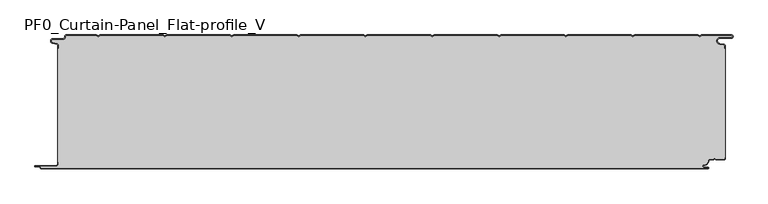
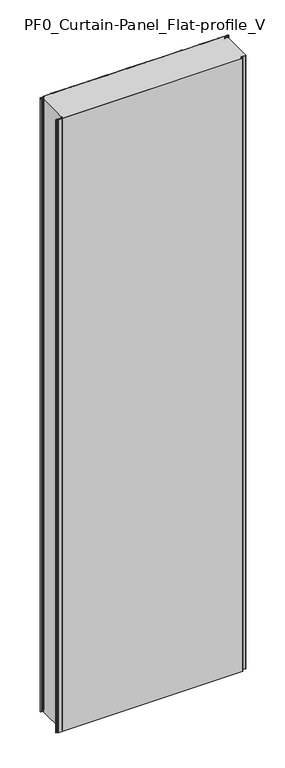
"""IFC4 building model written with IfcOpenShell, lengths in millimetres: plate geometry, PF0_Curtain-Panel_Flat-profile_V."""

from ifc_helpers import new_model, si_unit, point, frame, frame_2d, origin, origin_with_axes, place, context, project, spatial, polyline, circle_curve, trimmed, segment, composite_curve, outline, extrude, source, transform, mapped, element, save
from ifc_brep_helpers import plane_surface, cylinder_surface, revolved_surface, advanced_brep


def pf0_curtain_panel_flat_profile_v_02458f9c(model_context):
    return source(origin(), model_context, "Body", "SolidModel", [
        advanced_brep(
        [(-500.0, -15.878557, 3500.0), (-500.0, -20.0, 3500.0), (-499.2, -20.0, 3500.0), (-499.2, -15.878557, 3500.0), (-501.370137, -13.1503208, 3500.0), (-507.529863, -11.728236, 3500.0), (-506.9, -6.2, 3500.0), (-491.4, -6.2, 3500.0), (-488.6, -3.4, 3500.0), (-488.6, -2.0, 3500.0), (-487.4, -0.8, 3500.0), (-442.3143588, -0.8, 3500.0), (-439.4, -2.482606, 3500.0), (-436.4856412, -0.8, 3500.0), (-342.3143588, -0.8, 3500.0), (-339.4, -2.482606, 3500.0), (-336.4856412, -0.8, 3500.0), (-242.3143588, -0.8, 3500.0), (-239.4, -2.482606, 3500.0), (-236.4856412, -0.8, 3500.0), (-142.3143588, -0.8, 3500.0), (-139.4, -2.482606, 3500.0), (-136.4856412, -0.8, 3500.0), (-42.3143588, -0.8, 3500.0), (-39.4, -2.482606, 3500.0), (-36.4856412, -0.8, 3500.0), (57.6856412, -0.8, 3500.0), (60.6, -2.482606, 3500.0), (63.5143588, -0.8, 3500.0), (157.6856412, -0.8, 3500.0), (160.6, -2.482606, 3500.0), (163.5143588, -0.8, 3500.0), (257.6856412, -0.8, 3500.0), (260.6, -2.482606, 3500.0), (263.5143588, -0.8, 3500.0), (357.6856412, -0.8, 3500.0), (360.6, -2.482606, 3500.0), (363.5143588, -0.8, 3500.0), (457.6856412, -0.8, 3500.0), (460.6, -2.482606, 3500.0), (463.5143588, -0.8, 3500.0), (508.1, -0.8, 3500.0), (508.1, -4.2, 3500.0), (491.1, -4.2, 3500.0), (490.2664884, -13.7270771, 3500.0), (496.7125669, -14.8636953, 3500.0), (498.2, -16.6363492, 3500.0), (498.2, -20.0, 3500.0), (499.0, -20.0, 3500.0), (499.0, -16.6363492, 3500.0), (496.8514855, -14.0758491, 3500.0), (490.405407, -12.939231, 3500.0), (491.1, -5.0, 3500.0), (508.1, -5.0, 3500.0), (510.6, -2.5, 3500.0), (508.1, 0.0, 3500.0), (463.2999995, 0.0, 3500.0), (460.6, -1.5588455, 3500.0), (457.9000005, 0.0, 3500.0), (363.2999995, 0.0, 3500.0), (360.6, -1.5588455, 3500.0), (357.9000005, 0.0, 3500.0), (263.2999995, 0.0, 3500.0), (260.6, -1.5588455, 3500.0), (257.9000005, 0.0, 3500.0), (163.2999995, 0.0, 3500.0), (160.6, -1.5588455, 3500.0), (157.9000005, 0.0, 3500.0), (63.2999995, 0.0, 3500.0), (60.6, -1.5588455, 3500.0), (57.9000005, 0.0, 3500.0), (-36.7000005, 0.0, 3500.0), (-39.4, -1.5588455, 3500.0), (-42.0999995, 0.0, 3500.0), (-136.7000005, 0.0, 3500.0), (-139.4, -1.5588455, 3500.0), (-142.0999995, 0.0, 3500.0), (-236.7000005, 0.0, 3500.0), (-239.4, -1.5588455, 3500.0), (-242.0999995, 0.0, 3500.0), (-336.7000005, 0.0, 3500.0), (-339.4, -1.5588455, 3500.0), (-342.0999995, 0.0, 3500.0), (-436.7000005, 0.0, 3500.0), (-439.4, -1.5588455, 3500.0), (-442.0999995, 0.0, 3500.0), (-487.4, 0.0, 3500.0), (-489.4, -2.0, 3500.0), (-489.4, -3.4, 3500.0), (-491.4, -5.4, 3500.0), (-506.9, -5.4, 3500.0), (-507.7098239, -12.5077322, 3500.0), (-501.5500979, -13.929817, 3500.0), (-500.0, -15.878557, 0.0), (-501.5500978, -13.9298169, 0.0), (-507.7098239, -12.507732, 0.0), (-506.9, -5.4, 0.0), (-491.4, -5.4, 0.0), (-489.4, -3.4, 0.0), (-489.4, -2.0, 0.0), (-487.4, 0.0, 0.0), (-442.0999995, 0.0, 0.0), (-439.4, -1.5588455, 0.0), (-436.7000005, 0.0, 0.0), (-342.0999995, 0.0, 0.0), (-339.4, -1.5588455, 0.0), (-336.7000005, 0.0, 0.0), (-242.0999995, 0.0, 0.0), (-239.4, -1.5588455, 0.0), (-236.7000005, 0.0, 0.0), (-142.0999995, 0.0, 0.0), (-139.4, -1.5588455, 0.0), (-136.7000005, 0.0, 0.0), (-42.0999995, 0.0, 0.0), (-39.4, -1.5588455, 0.0), (-36.7000005, 0.0, 0.0), (57.9000005, 0.0, 0.0), (60.6, -1.5588455, 0.0), (63.2999995, 0.0, 0.0), (157.9000005, 0.0, 0.0), (160.6, -1.5588455, 0.0), (163.2999995, 0.0, 0.0), (257.9000005, 0.0, 0.0), (260.6, -1.5588455, 0.0), (263.2999995, 0.0, 0.0), (357.9000005, 0.0, 0.0), (360.6, -1.5588455, 0.0), (363.2999995, 0.0, 0.0), (457.9000005, 0.0, 0.0), (460.6, -1.5588455, 0.0), (463.2999995, 0.0, 0.0), (508.1, 0.0, 0.0), (510.6, -2.5, 0.0), (508.1, -5.0, 0.0), (491.1, -5.0, 0.0), (490.405407, -12.939231, 0.0), (496.8514855, -14.0758491, 0.0), (499.0, -16.6363492, 0.0), (499.0, -20.0, 0.0), (498.2, -20.0, 0.0), (498.2, -16.6363492, 0.0), (496.7125669, -14.8636953, 0.0), (490.2664884, -13.7270772, 0.0), (491.1, -4.2, 0.0), (508.1, -4.2, 0.0), (508.1, -0.8, 0.0), (463.5143588, -0.8, 0.0), (460.6, -2.482606, 0.0), (457.6856412, -0.8, 0.0), (363.5143588, -0.8, 0.0), (360.6, -2.482606, 0.0), (357.6856412, -0.8, 0.0), (263.5143588, -0.8, 0.0), (260.6, -2.482606, 0.0), (257.6856412, -0.8, 0.0), (163.5143588, -0.8, 0.0), (160.6, -2.482606, 0.0), (157.6856412, -0.8, 0.0), (63.5143588, -0.8, 0.0), (60.6, -2.482606, 0.0), (57.6856412, -0.8, 0.0), (-36.4856412, -0.8, 0.0), (-39.4, -2.482606, 0.0), (-42.3143588, -0.8, 0.0), (-136.4856412, -0.8, 0.0), (-139.4, -2.482606, 0.0), (-142.3143588, -0.8, 0.0), (-236.4856412, -0.8, 0.0), (-239.4, -2.482606, 0.0), (-242.3143588, -0.8, 0.0), (-336.4856412, -0.8, 0.0), (-339.4, -2.482606, 0.0), (-342.3143588, -0.8, 0.0), (-436.4856412, -0.8, 0.0), (-439.4, -2.482606, 0.0), (-442.3143588, -0.8, 0.0), (-487.4, -0.8, 0.0), (-488.6, -2.0, 0.0), (-488.6, -3.4, 0.0), (-491.4, -6.2, 0.0), (-506.9, -6.2, 0.0), (-507.529863, -11.7282362, 0.0), (-501.370137, -13.150321, 0.0), (-499.2, -15.878557, 0.0), (-499.2, -20.0, 0.0), (-500.0, -20.0, 0.0)],
        [
            (0, 1),
            (1, 2),
            (2, 3),
            (3, 4, circle_curve(frame((-502.0, -15.878557, 3500.0), z_axis=(0.0, 0.0, 1.0), x_axis=(1.0, 0.0, 0.0)), 2.8)),
            (4, 5),
            (5, 6, circle_curve(frame((-506.9, -9.0, 3500.0), z_axis=(0.0, 0.0, -1.0), x_axis=(1.0, 0.0, 0.0)), 2.8)),
            (6, 7),
            (7, 8, circle_curve(frame((-491.4, -3.4, 3500.0), z_axis=(0.0, 0.0, 1.0), x_axis=(1.0, 0.0, 0.0)), 2.8)),
            (8, 9),
            (9, 10, circle_curve(frame((-487.4, -2.0, 3500.0), z_axis=(0.0, 0.0, -1.0), x_axis=(1.0, 0.0, 0.0)), 1.2)),
            (10, 11),
            (11, 12),
            (12, 13),
            (13, 14),
            (14, 15),
            (15, 16),
            (16, 17),
            (17, 18),
            (18, 19),
            (19, 20),
            (20, 21),
            (21, 22),
            (22, 23),
            (23, 24),
            (24, 25),
            (25, 26),
            (26, 27),
            (27, 28),
            (28, 29),
            (29, 30),
            (30, 31),
            (31, 32),
            (32, 33),
            (33, 34),
            (34, 35),
            (35, 36),
            (36, 37),
            (37, 38),
            (38, 39),
            (39, 40),
            (40, 41),
            (41, 42, circle_curve(frame((508.1, -2.5, 3500.0), z_axis=(0.0, 0.0, -1.0), x_axis=(1.0, 0.0, 0.0)), 1.7)),
            (42, 43),
            (43, 44, circle_curve(frame((491.1, -9.0, 3500.0), z_axis=(0.0, 0.0, 1.0), x_axis=(1.0, 0.0, 0.0)), 4.8)),
            (44, 45),
            (45, 46, circle_curve(frame((496.4, -16.6363492, 3500.0), z_axis=(0.0, 0.0, -1.0), x_axis=(1.0, 0.0, 0.0)), 1.8)),
            (46, 47),
            (47, 48),
            (48, 49),
            (49, 50, circle_curve(frame((496.4, -16.6363492, 3500.0), z_axis=(0.0, 0.0, 1.0), x_axis=(1.0, 0.0, 0.0)), 2.6)),
            (50, 51),
            (51, 52, circle_curve(frame((491.1, -9.0, 3500.0), z_axis=(0.0, 0.0, -1.0), x_axis=(1.0, 0.0, 0.0)), 4.0)),
            (52, 53),
            (53, 54, circle_curve(frame((508.1, -2.5, 3500.0), z_axis=(0.0, 0.0, 1.0), x_axis=(1.0, 0.0, 0.0)), 2.5)),
            (54, 55, circle_curve(frame((508.1, -2.5, 3500.0), z_axis=(0.0, 0.0, 1.0), x_axis=(1.0, 0.0, 0.0)), 2.5)),
            (55, 56),
            (56, 57),
            (57, 58),
            (58, 59),
            (59, 60),
            (60, 61),
            (61, 62),
            (62, 63),
            (63, 64),
            (64, 65),
            (65, 66),
            (66, 67),
            (67, 68),
            (68, 69),
            (69, 70),
            (70, 71),
            (71, 72),
            (72, 73),
            (73, 74),
            (74, 75),
            (75, 76),
            (76, 77),
            (77, 78),
            (78, 79),
            (79, 80),
            (80, 81),
            (81, 82),
            (82, 83),
            (83, 84),
            (84, 85),
            (85, 86),
            (86, 87, circle_curve(frame((-487.4, -2.0, 3500.0), z_axis=(0.0, 0.0, 1.0), x_axis=(1.0, 0.0, 0.0)), 2.0)),
            (87, 88),
            (88, 89, circle_curve(frame((-491.4, -3.4, 3500.0), z_axis=(0.0, 0.0, -1.0), x_axis=(1.0, 0.0, 0.0)), 2.0)),
            (89, 90),
            (90, 91, circle_curve(frame((-506.9, -9.0, 3500.0), z_axis=(0.0, 0.0, 1.0), x_axis=(1.0, 0.0, 0.0)), 3.6)),
            (91, 92),
            (92, 0, circle_curve(frame((-502.0, -15.878557, 3500.0), z_axis=(0.0, 0.0, -1.0), x_axis=(1.0, 0.0, 0.0)), 2.0)),
            (93, 94, circle_curve(frame((-502.0, -15.878557, 0.0), z_axis=(0.0, 0.0, 1.0), x_axis=(1.0, 0.0, 0.0)), 2.0)),
            (94, 95),
            (95, 96, circle_curve(frame((-506.9, -9.0, 0.0), z_axis=(0.0, 0.0, -1.0), x_axis=(1.0, 0.0, 0.0)), 3.6)),
            (96, 97),
            (97, 98, circle_curve(frame((-491.4, -3.4, 0.0), z_axis=(0.0, 0.0, 1.0), x_axis=(1.0, 0.0, 0.0)), 2.0)),
            (98, 99),
            (99, 100, circle_curve(frame((-487.4, -2.0, 0.0), z_axis=(0.0, 0.0, -1.0), x_axis=(1.0, 0.0, 0.0)), 2.0)),
            (100, 101),
            (101, 102),
            (102, 103),
            (103, 104),
            (104, 105),
            (105, 106),
            (106, 107),
            (107, 108),
            (108, 109),
            (109, 110),
            (110, 111),
            (111, 112),
            (112, 113),
            (113, 114),
            (114, 115),
            (115, 116),
            (116, 117),
            (117, 118),
            (118, 119),
            (119, 120),
            (120, 121),
            (121, 122),
            (122, 123),
            (123, 124),
            (124, 125),
            (125, 126),
            (126, 127),
            (127, 128),
            (128, 129),
            (129, 130),
            (130, 131),
            (131, 132, circle_curve(frame((508.1, -2.5, 0.0), z_axis=(0.0, 0.0, -1.0), x_axis=(1.0, 0.0, 0.0)), 2.5)),
            (132, 133, circle_curve(frame((508.1, -2.5, 0.0), z_axis=(0.0, 0.0, -1.0), x_axis=(1.0, 0.0, 0.0)), 2.5)),
            (133, 134),
            (134, 135, circle_curve(frame((491.1, -9.0, 0.0), z_axis=(0.0, 0.0, 1.0), x_axis=(1.0, 0.0, 0.0)), 4.0)),
            (135, 136),
            (136, 137, circle_curve(frame((496.4, -16.6363492, 0.0), z_axis=(0.0, 0.0, -1.0), x_axis=(1.0, 0.0, 0.0)), 2.6)),
            (137, 138),
            (138, 139),
            (139, 140),
            (140, 141, circle_curve(frame((496.4, -16.6363492, 0.0), z_axis=(0.0, 0.0, 1.0), x_axis=(1.0, 0.0, 0.0)), 1.8)),
            (141, 142),
            (142, 143, circle_curve(frame((491.1, -9.0, 0.0), z_axis=(0.0, 0.0, -1.0), x_axis=(1.0, 0.0, 0.0)), 4.8)),
            (143, 144),
            (144, 145, circle_curve(frame((508.1, -2.5, 0.0), z_axis=(0.0, 0.0, 1.0), x_axis=(1.0, 0.0, 0.0)), 1.7)),
            (145, 146),
            (146, 147),
            (147, 148),
            (148, 149),
            (149, 150),
            (150, 151),
            (151, 152),
            (152, 153),
            (153, 154),
            (154, 155),
            (155, 156),
            (156, 157),
            (157, 158),
            (158, 159),
            (159, 160),
            (160, 161),
            (161, 162),
            (162, 163),
            (163, 164),
            (164, 165),
            (165, 166),
            (166, 167),
            (167, 168),
            (168, 169),
            (169, 170),
            (170, 171),
            (171, 172),
            (172, 173),
            (173, 174),
            (174, 175),
            (175, 176),
            (176, 177, circle_curve(frame((-487.4, -2.0, 0.0), z_axis=(0.0, 0.0, 1.0), x_axis=(1.0, 0.0, 0.0)), 1.2)),
            (177, 178),
            (178, 179, circle_curve(frame((-491.4, -3.4, 0.0), z_axis=(0.0, 0.0, -1.0), x_axis=(1.0, 0.0, 0.0)), 2.8)),
            (179, 180),
            (180, 181, circle_curve(frame((-506.9, -9.0, 0.0), z_axis=(0.0, 0.0, 1.0), x_axis=(1.0, 0.0, 0.0)), 2.8)),
            (181, 182),
            (182, 183, circle_curve(frame((-502.0, -15.878557, 0.0), z_axis=(0.0, 0.0, -1.0), x_axis=(1.0, 0.0, 0.0)), 2.8)),
            (183, 184),
            (184, 185),
            (185, 93),
            (0, 93),
            (185, 1),
            (184, 2),
            (183, 3),
            (182, 4),
            (181, 5),
            (180, 6),
            (179, 7),
            (178, 8),
            (177, 9),
            (176, 10),
            (175, 11),
            (174, 12),
            (173, 13),
            (172, 14),
            (171, 15),
            (170, 16),
            (169, 17),
            (168, 18),
            (167, 19),
            (166, 20),
            (165, 21),
            (164, 22),
            (163, 23),
            (162, 24),
            (161, 25),
            (160, 26),
            (159, 27),
            (158, 28),
            (157, 29),
            (156, 30),
            (155, 31),
            (154, 32),
            (153, 33),
            (152, 34),
            (151, 35),
            (150, 36),
            (149, 37),
            (148, 38),
            (147, 39),
            (146, 40),
            (145, 41),
            (144, 42),
            (143, 43),
            (142, 44),
            (141, 45),
            (140, 46),
            (139, 47),
            (138, 48),
            (137, 49),
            (136, 50),
            (135, 51),
            (134, 52),
            (133, 53),
            (131, 55),
            (56, 130),
            (129, 57),
            (128, 58),
            (127, 59),
            (126, 60),
            (125, 61),
            (124, 62),
            (123, 63),
            (122, 64),
            (121, 65),
            (120, 66),
            (119, 67),
            (118, 68),
            (117, 69),
            (116, 70),
            (115, 71),
            (114, 72),
            (113, 73),
            (112, 74),
            (111, 75),
            (110, 76),
            (109, 77),
            (108, 78),
            (107, 79),
            (106, 80),
            (105, 81),
            (104, 82),
            (103, 83),
            (102, 84),
            (101, 85),
            (100, 86),
            (99, 87),
            (98, 88),
            (97, 89),
            (96, 90),
            (95, 91),
            (94, 92),
        ],
        [
            plane_surface(frame((-500.0, 0.0, 3500.0), z_axis=(0.0, 0.0, 1.0), x_axis=(0.0, 1.0, 0.0))),
            plane_surface(frame((-500.0, 0.0, 0.0), z_axis=(0.0, 0.0, -1.0), x_axis=(0.0, 1.0, 0.0))),
            plane_surface(frame((-500.0, -15.878557, 3500.0), z_axis=(-1.0, 0.0, 0.0), x_axis=(0.0, 0.0, -1.0))),
            plane_surface(frame((-500.0, -20.0, 3500.0), z_axis=(0.0, -1.0, 0.0), x_axis=(0.0, 0.0, -1.0))),
            plane_surface(frame((-499.2, -20.0, 3500.0), z_axis=(1.0, 0.0, 0.0), x_axis=(0.0, 0.0, -1.0))),
            cylinder_surface(frame((-502.0, -15.878557, 3500.0), z_axis=(0.0, 0.0, 1.0), x_axis=(1.0, 0.0, 0.0)), 2.8),
            plane_surface(frame((-501.370137, -13.150321, 3500.0), z_axis=(0.22495108446242484, 0.9743700578318174, 0.0), x_axis=(0.0, 0.0, -1.0))),
            revolved_surface(polyline([(-504.09999999999997, -9.0, 0.0), (-504.09999999999997, -9.0, 3500.0)]), (-506.9, -9.0, 3500.0), (0.0, 0.0, -1.0)),
            plane_surface(frame((-506.9, -6.2, 3500.0), z_axis=(0.0, -1.0, 0.0), x_axis=(0.0, 0.0, -1.0))),
            cylinder_surface(frame((-491.4, -3.4, 3500.0), z_axis=(0.0, 0.0, 1.0), x_axis=(1.0, 0.0, 0.0)), 2.8),
            plane_surface(frame((-488.6, -3.4, 3500.0), z_axis=(1.0, 0.0, 0.0), x_axis=(0.0, 0.0, -1.0))),
            revolved_surface(polyline([(-486.2, -2.0, 0.0), (-486.2, -2.0, 3500.0)]), (-487.4, -2.0, 3500.0), (0.0, 0.0, -1.0)),
            plane_surface(frame((-487.4, -0.8, 3500.0), z_axis=(0.0, -1.0, 0.0), x_axis=(0.0, 0.0, -1.0))),
            plane_surface(frame((-442.3143588, -0.8, 3500.0), z_axis=(-0.5000000299313342, -0.8660253865035741, 0.0), x_axis=(0.0, 0.0, -1.0))),
            plane_surface(frame((-439.4, -2.482606, 3500.0), z_axis=(0.5000000299313233, -0.8660253865035805, 0.0), x_axis=(0.0, 0.0, -1.0))),
            plane_surface(frame((-436.4856412, -0.8, 3500.0), z_axis=(0.0, -1.0, 0.0), x_axis=(0.0, 0.0, -1.0))),
            plane_surface(frame((-342.3143588, -0.8, 3500.0), z_axis=(-0.5000000299313346, -0.8660253865035739, 0.0), x_axis=(0.0, 0.0, -1.0))),
            plane_surface(frame((-339.4, -2.482606, 3500.0), z_axis=(0.5000000299313251, -0.8660253865035794, 0.0), x_axis=(0.0, 0.0, -1.0))),
            plane_surface(frame((-336.4856412, -0.8, 3500.0), z_axis=(0.0, -1.0, 0.0), x_axis=(0.0, 0.0, -1.0))),
            plane_surface(frame((-242.3143588, -0.8, 3500.0), z_axis=(-0.5000000299313346, -0.866025386503574, 0.0), x_axis=(0.0, 0.0, -1.0))),
            plane_surface(frame((-239.4, -2.482606, 3500.0), z_axis=(0.5000000299313251, -0.8660253865035794, 0.0), x_axis=(0.0, 0.0, -1.0))),
            plane_surface(frame((-236.4856412, -0.8, 3500.0), z_axis=(0.0, -1.0, 0.0), x_axis=(0.0, 0.0, -1.0))),
            plane_surface(frame((-142.3143588, -0.8, 3500.0), z_axis=(-0.5000000299313349, -0.8660253865035739, 0.0), x_axis=(0.0, 0.0, -1.0))),
            plane_surface(frame((-139.4, -2.482606, 3500.0), z_axis=(0.5000000299313233, -0.8660253865035805, 0.0), x_axis=(0.0, 0.0, -1.0))),
            plane_surface(frame((-136.4856412, -0.8, 3500.0), z_axis=(0.0, -1.0, 0.0), x_axis=(0.0, 0.0, -1.0))),
            plane_surface(frame((-42.3143588, -0.8, 3500.0), z_axis=(-0.5000000299313346, -0.866025386503574, 0.0), x_axis=(0.0, 0.0, -1.0))),
            plane_surface(frame((-39.4, -2.482606, 3500.0), z_axis=(0.5000000299313239, -0.8660253865035802, 0.0), x_axis=(0.0, 0.0, -1.0))),
            plane_surface(frame((-36.4856412, -0.8, 3500.0), z_axis=(0.0, -1.0, 0.0), x_axis=(0.0, 0.0, -1.0))),
            plane_surface(frame((57.6856412, -0.8, 3500.0), z_axis=(-0.5000000299313347, -0.8660253865035739, 0.0), x_axis=(0.0, 0.0, -1.0))),
            plane_surface(frame((60.6, -2.482606, 3500.0), z_axis=(0.5000000299313232, -0.8660253865035805, 0.0), x_axis=(0.0, 0.0, -1.0))),
            plane_surface(frame((63.5143588, -0.8, 3500.0), z_axis=(0.0, -1.0, 0.0), x_axis=(0.0, 0.0, -1.0))),
            plane_surface(frame((157.6856412, -0.8, 3500.0), z_axis=(-0.5000000299313346, -0.866025386503574, 0.0), x_axis=(0.0, 0.0, -1.0))),
            plane_surface(frame((160.6, -2.482606, 3500.0), z_axis=(0.5000000299313262, -0.8660253865035787, 0.0), x_axis=(0.0, 0.0, -1.0))),
            plane_surface(frame((163.5143588, -0.8, 3500.0), z_axis=(0.0, -1.0, 0.0), x_axis=(0.0, 0.0, -1.0))),
            plane_surface(frame((257.6856412, -0.8, 3500.0), z_axis=(-0.5000000299313346, -0.8660253865035739, 0.0), x_axis=(0.0, 0.0, -1.0))),
            plane_surface(frame((260.6, -2.482606, 3500.0), z_axis=(0.5000000299313263, -0.8660253865035787, 0.0), x_axis=(0.0, 0.0, -1.0))),
            plane_surface(frame((263.5143588, -0.8, 3500.0), z_axis=(0.0, -1.0, 0.0), x_axis=(0.0, 0.0, -1.0))),
            plane_surface(frame((357.6856412, -0.8, 3500.0), z_axis=(-0.5000000299313346, -0.8660253865035739, 0.0), x_axis=(0.0, 0.0, -1.0))),
            plane_surface(frame((360.6, -2.482606, 3500.0), z_axis=(0.5000000299313255, -0.8660253865035792, 0.0), x_axis=(0.0, 0.0, -1.0))),
            plane_surface(frame((363.5143588, -0.8, 3500.0), z_axis=(0.0, -1.0, 0.0), x_axis=(0.0, 0.0, -1.0))),
            plane_surface(frame((457.6856412, -0.8, 3500.0), z_axis=(-0.5000000299313347, -0.8660253865035739, 0.0), x_axis=(0.0, 0.0, -1.0))),
            plane_surface(frame((460.6, -2.482606, 3500.0), z_axis=(0.5000000299313263, -0.8660253865035787, 0.0), x_axis=(0.0, 0.0, -1.0))),
            plane_surface(frame((463.5143588, -0.8, 3500.0), z_axis=(0.0, -1.0, 0.0), x_axis=(0.0, 0.0, -1.0))),
            revolved_surface(polyline([(509.8, -2.5, 0.0), (509.8, -2.5, 3500.0)]), (508.1, -2.5, 3500.0), (0.0, 0.0, -1.0)),
            plane_surface(frame((508.1, -4.2, 3500.0), z_axis=(0.0, 1.0, 0.0), x_axis=(0.0, 0.0, -1.0))),
            cylinder_surface(frame((491.1, -9.0, 3500.0), z_axis=(0.0, 0.0, 1.0), x_axis=(1.0, 0.0, 0.0)), 4.8),
            plane_surface(frame((490.2664884, -13.7270772, 3500.0), z_axis=(-0.17364825602592485, -0.9848077391954, 0.0), x_axis=(0.0, 0.0, -1.0))),
            revolved_surface(polyline([(498.2, -16.6363492, 0.0), (498.2, -16.6363492, 3500.0)]), (496.4, -16.6363492, 3500.0), (0.0, 0.0, -1.0)),
            plane_surface(frame((498.2, -16.6363492, 3500.0), z_axis=(-1.0, 0.0, 0.0), x_axis=(0.0, 0.0, -1.0))),
            plane_surface(frame((498.2, -20.0, 3500.0), z_axis=(0.0, -1.0, 0.0), x_axis=(0.0, 0.0, -1.0))),
            plane_surface(frame((499.0, -20.0, 3500.0), z_axis=(1.0, 0.0, 0.0), x_axis=(0.0, 0.0, -1.0))),
            cylinder_surface(frame((496.4, -16.6363492, 3500.0), z_axis=(0.0, 0.0, 1.0), x_axis=(1.0, 0.0, 0.0)), 2.6),
            plane_surface(frame((496.8514855, -14.0758491, 3500.0), z_axis=(0.1736482560259256, 0.9848077391953998, 0.0), x_axis=(0.0, 0.0, -1.0))),
            revolved_surface(polyline([(495.1, -9.0, 0.0), (495.1, -9.0, 3500.0)]), (491.1, -9.0, 3500.0), (0.0, 0.0, -1.0)),
            plane_surface(frame((491.1, -5.0, 3500.0), z_axis=(0.0, -1.0, 0.0), x_axis=(0.0, 0.0, -1.0))),
            cylinder_surface(frame((508.1, -2.5, 3500.0), z_axis=(0.0, 0.0, 1.0), x_axis=(1.0, 0.0, 0.0)), 2.5),
            plane_surface(frame((463.2999995, 0.0, 3500.0), z_axis=(-0.5000000299313235, 0.8660253865035803, 0.0), x_axis=(0.0, 0.0, -1.0))),
            plane_surface(frame((460.6, -1.5588455, 3500.0), z_axis=(0.5000000299313346, 0.8660253865035739, 0.0), x_axis=(0.0, 0.0, -1.0))),
            plane_surface(frame((457.9000005, 0.0, 3500.0), z_axis=(0.0, 1.0, 0.0), x_axis=(0.0, 0.0, -1.0))),
            plane_surface(frame((363.2999995, 0.0, 3500.0), z_axis=(-0.5000000299313235, 0.8660253865035803, 0.0), x_axis=(0.0, 0.0, -1.0))),
            plane_surface(frame((360.6, -1.5588455, 3500.0), z_axis=(0.5000000299313346, 0.8660253865035739, 0.0), x_axis=(0.0, 0.0, -1.0))),
            plane_surface(frame((357.9000005, 0.0, 3500.0), z_axis=(0.0, 1.0, 0.0), x_axis=(0.0, 0.0, -1.0))),
            plane_surface(frame((263.2999995, 0.0, 3500.0), z_axis=(-0.5000000299313235, 0.8660253865035803, 0.0), x_axis=(0.0, 0.0, -1.0))),
            plane_surface(frame((260.6, -1.5588455, 3500.0), z_axis=(0.5000000299313346, 0.8660253865035739, 0.0), x_axis=(0.0, 0.0, -1.0))),
            plane_surface(frame((257.9000005, 0.0, 3500.0), z_axis=(0.0, 1.0, 0.0), x_axis=(0.0, 0.0, -1.0))),
            plane_surface(frame((163.2999995, 0.0, 3500.0), z_axis=(-0.5000000299313235, 0.8660253865035803, 0.0), x_axis=(0.0, 0.0, -1.0))),
            plane_surface(frame((160.6, -1.5588455, 3500.0), z_axis=(0.5000000299313346, 0.8660253865035739, 0.0), x_axis=(0.0, 0.0, -1.0))),
            plane_surface(frame((157.9000005, 0.0, 3500.0), z_axis=(0.0, 1.0, 0.0), x_axis=(0.0, 0.0, -1.0))),
            plane_surface(frame((63.2999995, 0.0, 3500.0), z_axis=(-0.5000000299313235, 0.8660253865035803, 0.0), x_axis=(0.0, 0.0, -1.0))),
            plane_surface(frame((60.6, -1.5588455, 3500.0), z_axis=(0.5000000299313346, 0.8660253865035739, 0.0), x_axis=(0.0, 0.0, -1.0))),
            plane_surface(frame((57.9000005, 0.0, 3500.0), z_axis=(0.0, 1.0, 0.0), x_axis=(0.0, 0.0, -1.0))),
            plane_surface(frame((-36.7000005, 0.0, 3500.0), z_axis=(-0.5000000299313235, 0.8660253865035803, 0.0), x_axis=(0.0, 0.0, -1.0))),
            plane_surface(frame((-39.4, -1.5588455, 3500.0), z_axis=(0.5000000299313346, 0.8660253865035739, 0.0), x_axis=(0.0, 0.0, -1.0))),
            plane_surface(frame((-42.0999995, 0.0, 3500.0), z_axis=(0.0, 1.0, 0.0), x_axis=(0.0, 0.0, -1.0))),
            plane_surface(frame((-136.7000005, 0.0, 3500.0), z_axis=(-0.5000000299313235, 0.8660253865035803, 0.0), x_axis=(0.0, 0.0, -1.0))),
            plane_surface(frame((-139.4, -1.5588455, 3500.0), z_axis=(0.5000000299313346, 0.8660253865035739, 0.0), x_axis=(0.0, 0.0, -1.0))),
            plane_surface(frame((-142.0999995, 0.0, 3500.0), z_axis=(0.0, 1.0, 0.0), x_axis=(0.0, 0.0, -1.0))),
            plane_surface(frame((-236.7000005, 0.0, 3500.0), z_axis=(-0.5000000299313235, 0.8660253865035803, 0.0), x_axis=(0.0, 0.0, -1.0))),
            plane_surface(frame((-239.4, -1.5588455, 3500.0), z_axis=(0.5000000299313346, 0.8660253865035739, 0.0), x_axis=(0.0, 0.0, -1.0))),
            plane_surface(frame((-242.0999995, 0.0, 3500.0), z_axis=(0.0, 1.0, 0.0), x_axis=(0.0, 0.0, -1.0))),
            plane_surface(frame((-336.7000005, 0.0, 3500.0), z_axis=(-0.5000000299313235, 0.8660253865035803, 0.0), x_axis=(0.0, 0.0, -1.0))),
            plane_surface(frame((-339.4, -1.5588455, 3500.0), z_axis=(0.5000000299313346, 0.8660253865035739, 0.0), x_axis=(0.0, 0.0, -1.0))),
            plane_surface(frame((-342.0999995, 0.0, 3500.0), z_axis=(0.0, 1.0, 0.0), x_axis=(0.0, 0.0, -1.0))),
            plane_surface(frame((-436.7000005, 0.0, 3500.0), z_axis=(-0.5000000299313235, 0.8660253865035803, 0.0), x_axis=(0.0, 0.0, -1.0))),
            plane_surface(frame((-439.4, -1.5588455, 3500.0), z_axis=(0.5000000299313346, 0.8660253865035739, 0.0), x_axis=(0.0, 0.0, -1.0))),
            plane_surface(frame((-442.0999995, 0.0, 3500.0), z_axis=(0.0, 1.0, 0.0), x_axis=(0.0, 0.0, -1.0))),
            cylinder_surface(frame((-487.4, -2.0, 3500.0), z_axis=(0.0, 0.0, 1.0), x_axis=(1.0, 0.0, 0.0)), 2.0),
            plane_surface(frame((-489.4, -2.0, 3500.0), z_axis=(-1.0, 0.0, 0.0), x_axis=(0.0, 0.0, -1.0))),
            revolved_surface(polyline([(-489.4, -3.4, 0.0), (-489.4, -3.4, 3500.0)]), (-491.4, -3.4, 3500.0), (0.0, 0.0, -1.0)),
            plane_surface(frame((-491.4, -5.4, 3500.0), z_axis=(0.0, 1.0, 0.0), x_axis=(0.0, 0.0, -1.0))),
            cylinder_surface(frame((-506.9, -9.0, 3500.0), z_axis=(0.0, 0.0, 1.0), x_axis=(1.0, 0.0, 0.0)), 3.6),
            plane_surface(frame((-507.7098239, -12.507732, 3500.0), z_axis=(-0.22495108446242487, -0.9743700578318174, 0.0), x_axis=(0.0, 0.0, -1.0))),
            revolved_surface(polyline([(-500.0, -15.878557, 0.0), (-500.0, -15.878557, 3500.0)]), (-502.0, -15.878557, 3500.0), (0.0, 0.0, -1.0)),
            plane_surface(frame((508.1, 0.0, 3500.0), z_axis=(0.0, 1.0, 0.0), x_axis=(0.0, 0.0, -1.0))),
        ],
        [
            (0, [[1, 2, 3, 4, 5, 6, 7, 8, 9, 10, 11, 12, 13, 14, 15, 16, 17, 18, 19, 20, 21, 22, 23, 24, 25, 26, 27, 28, 29, 30, 31, 32, 33, 34, 35, 36, 37, 38, 39, 40, 41, 42, 43, 44, 45, 46, 47, 48, 49, 50, 51, 52, 53, 54, 55, 56, 57, 58, 59, 60, 61, 62, 63, 64, 65, 66, 67, 68, 69, 70, 71, 72, 73, 74, 75, 76, 77, 78, 79, 80, 81, 82, 83, 84, 85, 86, 87, 88, 89, 90, 91, 92, 93]]),
            (1, [[94, 95, 96, 97, 98, 99, 100, 101, 102, 103, 104, 105, 106, 107, 108, 109, 110, 111, 112, 113, 114, 115, 116, 117, 118, 119, 120, 121, 122, 123, 124, 125, 126, 127, 128, 129, 130, 131, 132, 133, 134, 135, 136, 137, 138, 139, 140, 141, 142, 143, 144, 145, 146, 147, 148, 149, 150, 151, 152, 153, 154, 155, 156, 157, 158, 159, 160, 161, 162, 163, 164, 165, 166, 167, 168, 169, 170, 171, 172, 173, 174, 175, 176, 177, 178, 179, 180, 181, 182, 183, 184, 185, 186]]),
            (2, [[-1, 187, -186, 188]]),
            (3, [[-2, -188, -185, 189]]),
            (4, [[-3, -189, -184, 190]]),
            (5, [[-4, -190, -183, 191]]),
            (6, [[-5, -191, -182, 192]]),
            (7, [[-6, -192, -181, 193]]),
            (8, [[-7, -193, -180, 194]]),
            (9, [[-8, -194, -179, 195]]),
            (10, [[-9, -195, -178, 196]]),
            (11, [[-10, -196, -177, 197]]),
            (12, [[-11, -197, -176, 198]]),
            (13, [[-12, -198, -175, 199]]),
            (14, [[-13, -199, -174, 200]]),
            (15, [[-14, -200, -173, 201]]),
            (16, [[-15, -201, -172, 202]]),
            (17, [[-16, -202, -171, 203]]),
            (18, [[-17, -203, -170, 204]]),
            (19, [[-18, -204, -169, 205]]),
            (20, [[-19, -205, -168, 206]]),
            (21, [[-20, -206, -167, 207]]),
            (22, [[-21, -207, -166, 208]]),
            (23, [[-22, -208, -165, 209]]),
            (24, [[-23, -209, -164, 210]]),
            (25, [[-24, -210, -163, 211]]),
            (26, [[-25, -211, -162, 212]]),
            (27, [[-26, -212, -161, 213]]),
            (28, [[-27, -213, -160, 214]]),
            (29, [[-28, -214, -159, 215]]),
            (30, [[-29, -215, -158, 216]]),
            (31, [[-30, -216, -157, 217]]),
            (32, [[-31, -217, -156, 218]]),
            (33, [[-32, -218, -155, 219]]),
            (34, [[-33, -219, -154, 220]]),
            (35, [[-34, -220, -153, 221]]),
            (36, [[-35, -221, -152, 222]]),
            (37, [[-36, -222, -151, 223]]),
            (38, [[-37, -223, -150, 224]]),
            (39, [[-38, -224, -149, 225]]),
            (40, [[-39, -225, -148, 226]]),
            (41, [[-40, -226, -147, 227]]),
            (42, [[-41, -227, -146, 228]]),
            (43, [[-42, -228, -145, 229]]),
            (44, [[-43, -229, -144, 230]]),
            (45, [[-44, -230, -143, 231]]),
            (46, [[-45, -231, -142, 232]]),
            (47, [[-46, -232, -141, 233]]),
            (48, [[-47, -233, -140, 234]]),
            (49, [[-48, -234, -139, 235]]),
            (50, [[-49, -235, -138, 236]]),
            (51, [[-50, -236, -137, 237]]),
            (52, [[-51, -237, -136, 238]]),
            (53, [[-52, -238, -135, 239]]),
            (54, [[-53, -239, -134, 240]]),
            (55, [[-240, -133, -132, 241, -55, -54]]),
            (56, [[-57, 242, -130, 243]]),
            (57, [[-58, -243, -129, 244]]),
            (58, [[-59, -244, -128, 245]]),
            (59, [[-60, -245, -127, 246]]),
            (60, [[-61, -246, -126, 247]]),
            (61, [[-62, -247, -125, 248]]),
            (62, [[-63, -248, -124, 249]]),
            (63, [[-64, -249, -123, 250]]),
            (64, [[-65, -250, -122, 251]]),
            (65, [[-66, -251, -121, 252]]),
            (66, [[-67, -252, -120, 253]]),
            (67, [[-68, -253, -119, 254]]),
            (68, [[-69, -254, -118, 255]]),
            (69, [[-70, -255, -117, 256]]),
            (70, [[-71, -256, -116, 257]]),
            (71, [[-72, -257, -115, 258]]),
            (72, [[-73, -258, -114, 259]]),
            (73, [[-74, -259, -113, 260]]),
            (74, [[-75, -260, -112, 261]]),
            (75, [[-76, -261, -111, 262]]),
            (76, [[-77, -262, -110, 263]]),
            (77, [[-78, -263, -109, 264]]),
            (78, [[-79, -264, -108, 265]]),
            (79, [[-80, -265, -107, 266]]),
            (80, [[-81, -266, -106, 267]]),
            (81, [[-82, -267, -105, 268]]),
            (82, [[-83, -268, -104, 269]]),
            (83, [[-84, -269, -103, 270]]),
            (84, [[-85, -270, -102, 271]]),
            (85, [[-86, -271, -101, 272]]),
            (86, [[-87, -272, -100, 273]]),
            (87, [[-88, -273, -99, 274]]),
            (88, [[-89, -274, -98, 275]]),
            (89, [[-90, -275, -97, 276]]),
            (90, [[-91, -276, -96, 277]]),
            (91, [[-92, -277, -95, 278]]),
            (92, [[-93, -278, -94, -187]]),
            (93, [[-56, -241, -131, -242]]),
        ],
    ),
        extrude(outline(composite_curve([segment(polyline([(-499.2, -190.0), (-500.0, -190.0), (-500.0, -20.0), (-499.2, -20.0), (-499.2, -15.878557)]), True, "CONTINUOUS"), segment(trimmed(circle_curve(frame_2d((-502.0, -15.878557)), 2.8), [point((-499.2, -15.878557))], [point((-501.370137, -13.1503208))], True, "CARTESIAN"), True, "CONTINUOUS"), segment(polyline([(-501.370137, -13.1503208), (-507.529863, -11.7282362)]), True, "CONTINUOUS"), segment(trimmed(circle_curve(frame_2d((-506.9, -9.0)), 2.8), [point((-507.529863, -11.7282362))], [point((-506.9, -6.2))], False, "CARTESIAN"), True, "CONTINUOUS"), segment(polyline([(-506.9, -6.2), (-491.4, -6.2)]), True, "CONTINUOUS"), segment(trimmed(circle_curve(frame_2d((-491.4, -3.4)), 2.8), [point((-491.4, -6.2))], [point((-488.6, -3.4))], True, "CARTESIAN"), True, "CONTINUOUS"), segment(polyline([(-488.6, -3.4), (-488.6, -2.0)]), True, "CONTINUOUS"), segment(trimmed(circle_curve(frame_2d((-487.4, -2.0)), 1.2), [point((-488.6, -2.0))], [point((-487.4, -0.8))], False, "CARTESIAN"), True, "CONTINUOUS"), segment(polyline([(-487.4, -0.8), (-442.3143588, -0.8), (-439.4, -2.482606), (-436.4856412, -0.8), (-342.3143588, -0.8), (-339.4, -2.482606), (-336.4856412, -0.8), (-242.3143588, -0.8), (-239.4, -2.482606), (-236.4856412, -0.8), (-142.3143588, -0.8), (-139.4, -2.482606), (-136.4856412, -0.8), (-42.3143588, -0.8), (-39.4, -2.482606), (-36.4856412, -0.8), (57.6856412, -0.8), (60.6, -2.482606), (63.5143588, -0.8), (157.6856412, -0.8), (160.6, -2.482606), (163.5143588, -0.8), (257.6856412, -0.8), (260.6, -2.482606), (263.5143588, -0.8), (357.6856412, -0.8), (360.6, -2.482606), (363.5143588, -0.8), (457.6856412, -0.8), (460.6, -2.482606), (463.5143588, -0.8), (508.1, -0.8)]), True, "CONTINUOUS"), segment(trimmed(circle_curve(frame_2d((508.1, -2.5)), 1.7), [point((508.1, -0.8))], [point((508.1, -4.2))], False, "CARTESIAN"), True, "CONTINUOUS"), segment(polyline([(508.1, -4.2), (491.1, -4.2)]), True, "CONTINUOUS"), segment(trimmed(circle_curve(frame_2d((491.1, -9.0)), 4.8), [point((491.1, -4.2))], [point((490.2664884, -13.7270772))], True, "CARTESIAN"), True, "CONTINUOUS"), segment(polyline([(490.2664884, -13.7270772), (496.7125669, -14.8636953)]), True, "CONTINUOUS"), segment(trimmed(circle_curve(frame_2d((496.4, -16.6363492)), 1.8), [point((496.7125669, -14.8636953))], [point((498.2, -16.6363492))], False, "CARTESIAN"), True, "CONTINUOUS"), segment(polyline([(498.2, -16.6363492), (498.2, -20.0), (499.0, -20.0), (499.0, -183.0), (498.2, -183.0), (498.2, -184.4)]), True, "CONTINUOUS"), segment(trimmed(circle_curve(frame_2d((496.4, -184.4)), 1.8), [point((498.2, -184.4))], [point((496.4, -186.2))], False, "CARTESIAN"), True, "CONTINUOUS"), segment(polyline([(496.4, -186.2), (484.8313698, -186.2), (483.0, -184.3686285), (481.1686302, -186.2), (475.0, -186.2)]), True, "CONTINUOUS"), segment(trimmed(circle_curve(frame_2d((475.0, -188.0)), 1.8), [point((475.0, -186.2))], [point((473.2, -188.0))], True, "CARTESIAN"), True, "CONTINUOUS"), segment(polyline([(473.2, -188.0), (473.2, -188.8276204)]), True, "CONTINUOUS"), segment(trimmed(circle_curve(frame_2d((467.8276204, -188.8276204)), 5.3723796), [point((473.2, -188.8276204))], [point((467.8276204, -194.2))], False, "CARTESIAN"), True, "CONTINUOUS"), segment(polyline([(467.8276204, -194.2), (467.0, -194.2)]), True, "CONTINUOUS"), segment(trimmed(circle_curve(frame_2d((467.0, -196.4)), 2.2), [point((467.0, -194.2))], [point((467.0, -198.6))], True, "CARTESIAN"), True, "CONTINUOUS"), segment(polyline([(467.0, -198.6), (472.8891513, -198.6)]), True, "CONTINUOUS"), segment(trimmed(circle_curve(frame_2d((472.8891513, -198.9)), 0.3), [point((472.8891513, -198.6))], [point((472.8891513, -199.2))], False, "CARTESIAN"), True, "CONTINUOUS"), segment(polyline([(472.8891513, -199.2), (-524.4, -199.2)]), True, "CONTINUOUS"), segment(trimmed(circle_curve(frame_2d((-524.4, -198.4)), 0.8), [point((-524.4, -199.2))], [point((-525.2, -198.4))], False, "CARTESIAN"), True, "CONTINUOUS"), segment(trimmed(circle_curve(frame_2d((-526.9, -198.6133333)), 1.7133333), [point((-525.2, -198.4))], [point((-526.9, -196.9))], True, "CARTESIAN"), True, "CONTINUOUS"), segment(polyline([(-526.9, -196.9), (-532.8700312, -196.9)]), True, "CONTINUOUS"), segment(trimmed(circle_curve(frame_2d((-532.8700312, -196.6)), 0.3), [point((-532.8700312, -196.9))], [point((-532.8700312, -196.3))], False, "CARTESIAN"), True, "CONTINUOUS"), segment(polyline([(-532.8700312, -196.3), (-502.0, -196.3)]), True, "CONTINUOUS"), segment(trimmed(circle_curve(frame_2d((-502.0, -193.5)), 2.8), [point((-502.0, -196.3))], [point((-499.2, -193.5))], True, "CARTESIAN"), True, "CONTINUOUS"), segment(polyline([(-499.2, -193.5), (-499.2, -190.0)]), True, "CONTINUOUS")], self_intersect=False)), origin_with_axes(), (0.0, 0.0, 1.0), 3500.0),
        extrude(outline(composite_curve([segment(polyline([(-500.0, -190.0), (-499.2, -190.0), (-499.2, -193.5)]), True, "CONTINUOUS"), segment(trimmed(circle_curve(frame_2d((-502.0, -193.5)), 2.8), [point((-499.2, -193.5))], [point((-502.0, -196.3))], False, "CARTESIAN"), True, "CONTINUOUS"), segment(polyline([(-502.0, -196.3), (-532.8700312, -196.3)]), True, "CONTINUOUS"), segment(trimmed(circle_curve(frame_2d((-532.8700312, -196.6)), 0.3), [point((-532.8700312, -196.3))], [point((-532.8700312, -196.9))], True, "CARTESIAN"), True, "CONTINUOUS"), segment(polyline([(-532.8700312, -196.9), (-526.9, -196.9)]), True, "CONTINUOUS"), segment(trimmed(circle_curve(frame_2d((-526.9, -198.6133333)), 1.7133333), [point((-526.9, -196.9))], [point((-525.2, -198.4))], False, "CARTESIAN"), True, "CONTINUOUS"), segment(trimmed(circle_curve(frame_2d((-524.4, -198.4)), 0.8), [point((-525.2, -198.4))], [point((-524.4, -199.2))], True, "CARTESIAN"), True, "CONTINUOUS"), segment(polyline([(-524.4, -199.2), (472.8891513, -199.2)]), True, "CONTINUOUS"), segment(trimmed(circle_curve(frame_2d((472.8891513, -198.9)), 0.3), [point((472.8891513, -199.2))], [point((472.8891513, -198.6))], True, "CARTESIAN"), True, "CONTINUOUS"), segment(polyline([(472.8891513, -198.6), (467.0, -198.6)]), True, "CONTINUOUS"), segment(trimmed(circle_curve(frame_2d((467.0, -196.4)), 2.2), [point((467.0, -198.6))], [point((467.0, -194.2))], False, "CARTESIAN"), True, "CONTINUOUS"), segment(polyline([(467.0, -194.2), (467.8276204, -194.2)]), True, "CONTINUOUS"), segment(trimmed(circle_curve(frame_2d((467.8276204, -188.8276204)), 5.3723796), [point((467.8276204, -194.2))], [point((473.2, -188.8276204))], True, "CARTESIAN"), True, "CONTINUOUS"), segment(polyline([(473.2, -188.8276204), (473.2, -188.0)]), True, "CONTINUOUS"), segment(trimmed(circle_curve(frame_2d((475.0, -188.0)), 1.8), [point((473.2, -188.0))], [point((475.0, -186.2))], False, "CARTESIAN"), True, "CONTINUOUS"), segment(polyline([(475.0, -186.2), (481.1686302, -186.2), (483.0, -184.3686285), (484.8313698, -186.2), (496.4, -186.2)]), True, "CONTINUOUS"), segment(trimmed(circle_curve(frame_2d((496.4, -184.4)), 1.8), [point((496.4, -186.2))], [point((498.2, -184.4))], True, "CARTESIAN"), True, "CONTINUOUS"), segment(polyline([(498.2, -184.4), (498.2, -183.0), (499.0, -183.0), (499.0, -184.4)]), True, "CONTINUOUS"), segment(trimmed(circle_curve(frame_2d((496.4, -184.4)), 2.6), [point((499.0, -184.4))], [point((496.4, -187.0))], False, "CARTESIAN"), True, "CONTINUOUS"), segment(polyline([(496.4, -187.0), (484.4999988, -187.0), (483.0, -185.4999999), (481.5000012, -187.0), (475.0, -187.0)]), True, "CONTINUOUS"), segment(trimmed(circle_curve(frame_2d((475.0, -188.0)), 1.0), [point((475.0, -187.0))], [point((474.0, -188.0))], True, "CARTESIAN"), True, "CONTINUOUS"), segment(polyline([(474.0, -188.0), (474.0, -188.8276204)]), True, "CONTINUOUS"), segment(trimmed(circle_curve(frame_2d((467.8276204, -188.8276204)), 6.1723796), [point((474.0, -188.8276204))], [point((467.8276204, -195.0))], False, "CARTESIAN"), True, "CONTINUOUS"), segment(polyline([(467.8276204, -195.0), (467.0, -195.0)]), True, "CONTINUOUS"), segment(trimmed(circle_curve(frame_2d((467.0, -196.5)), 1.5), [point((467.0, -195.0))], [point((467.0, -198.0))], True, "CARTESIAN"), True, "CONTINUOUS"), segment(polyline([(467.0, -198.0), (473.0, -198.0)]), True, "CONTINUOUS"), segment(trimmed(circle_curve(frame_2d((473.0, -199.0)), 1.0), [point((473.0, -198.0))], [point((473.0, -200.0))], False, "CARTESIAN"), True, "CONTINUOUS"), segment(polyline([(473.0, -200.0), (-524.4, -200.0)]), True, "CONTINUOUS"), segment(trimmed(circle_curve(frame_2d((-524.4, -198.4)), 1.6), [point((-524.4, -200.0))], [point((-526.0, -198.4))], False, "CARTESIAN"), True, "CONTINUOUS"), segment(trimmed(circle_curve(frame_2d((-526.9, -198.4)), 0.9), [point((-526.0, -198.4))], [point((-526.9, -197.5))], True, "CARTESIAN"), True, "CONTINUOUS"), segment(polyline([(-526.9, -197.5), (-533.0, -197.5)]), True, "CONTINUOUS"), segment(trimmed(circle_curve(frame_2d((-533.0, -196.5)), 1.0), [point((-533.0, -197.5))], [point((-533.0, -195.5))], False, "CARTESIAN"), True, "CONTINUOUS"), segment(polyline([(-533.0, -195.5), (-502.0, -195.5)]), True, "CONTINUOUS"), segment(trimmed(circle_curve(frame_2d((-502.0, -193.5)), 2.0), [point((-502.0, -195.5))], [point((-500.0, -193.5))], True, "CARTESIAN"), True, "CONTINUOUS"), segment(polyline([(-500.0, -193.5), (-500.0, -190.0)]), True, "CONTINUOUS")], self_intersect=False)), origin_with_axes(), (0.0, 0.0, 1.0), 3500.0),
    ])


if __name__ == "__main__":
    model = new_model("IFC4")
    model_context = context("Model", 3, world=origin())
    ifc_project = project(units=[si_unit("LENGTHUNIT", "METRE", prefix="MILLI")], contexts=[model_context])
    site = spatial("IfcSite", under=ifc_project)
    building = spatial("IfcBuilding", under=site)
    placement = place(None, origin())
    pf0_curtain_panel_flat_profile_v_shape = pf0_curtain_panel_flat_profile_v_02458f9c(model_context)
    element("IfcPlate", 1, ObjectType="PF0_Curtain-Panel_Flat-profile_V", at=placement, inside=building, context=model_context, shape_type="MappedRepresentation", body=[
        mapped(pf0_curtain_panel_flat_profile_v_shape, transform((0.0, 0.0, 0.0), x_axis=(1.0, 0.0, 0.0), y_axis=(0.0, 1.0, 0.0), z_axis=(0.0, 0.0, 1.0))),
    ])
    save(model, "model.ifc")
